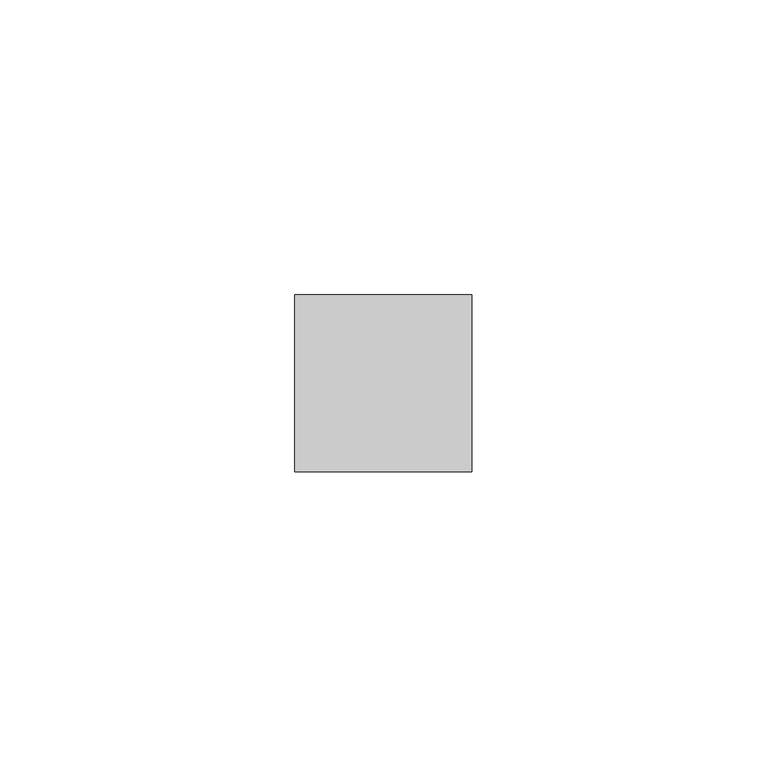
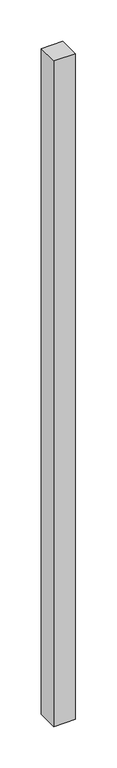
"""IFC4 building model written with IfcOpenShell, lengths in millimetres: member geometry."""

import ifcopenshell
import ifcopenshell.guid

model = None  # the IFC model being written
_history = None  # IfcOwnerHistory: only IFC2X3 demands one
_inside = {}  # id of a spatial element -> (the spatial element, [elements in it])
_under = {}  # id of a project, library or spatial element -> (it, [spatial elements below it])
_declared = {}  # id of a project -> (the project, [libraries it declares])
_typed = {}  # id of a type object -> (the type object, [elements of that type])
_made_of = {}  # id of a material, layer set ... -> (it, [elements and type objects made of it])


def new_model(schema):
    """Start an empty IFC model of exactly this schema.

    Asked for "IFC4X3", IfcOpenShell would pick the latest addendum, in which some entities
    have other attributes; the version numbers below select the first issue.
    IFC2X3 requires an IfcOwnerHistory on every rooted entity: one is made here for all.
    """
    global model, _history
    if schema == "IFC4X3":
        model = ifcopenshell.file(schema_version=(4, 3, 0, 0))
    else:
        model = ifcopenshell.file(schema=schema)
    _inside.clear()
    _under.clear()
    _declared.clear()
    _typed.clear()
    _made_of.clear()
    _history = None
    if model.schema == "IFC2X3":
        org = make("IfcOrganization", Name="unknown")
        user = make(
            "IfcPersonAndOrganization",
            ThePerson=make("IfcPerson", FamilyName="unknown"),
            TheOrganization=org,
        )
        app = make(
            "IfcApplication",
            ApplicationDeveloper=org,
            Version="unknown",
            ApplicationFullName="unknown",
            ApplicationIdentifier="unknown",
        )
        _history = make(
            "IfcOwnerHistory",
            OwningUser=user,
            OwningApplication=app,
            ChangeAction="ADDED",
            CreationDate=0,
        )
    return model


def make(cls, **values):
    """One entity of the class cls with the attributes given. An attribute that is None is left unset."""
    return model.create_entity(
        cls, **{name: value for name, value in values.items() if value is not None}
    )


def rooted(cls, **values):
    """An entity with a GlobalId (a new one), such as an element, a storey or a relation."""
    return make(cls, GlobalId=ifcopenshell.guid.new(), OwnerHistory=_history, **values)


def si_unit(unit_type, name, prefix=None):
    """IfcSIUnit, for example si_unit("LENGTHUNIT", "METRE", prefix="MILLI")."""
    return make("IfcSIUnit", UnitType=unit_type, Prefix=prefix, Name=name)


def assignment(units):
    """IfcUnitAssignment: the units of a project."""
    return None if units is None else make("IfcUnitAssignment", Units=units)


def point(xyz):
    """IfcCartesianPoint."""
    return None if xyz is None else make("IfcCartesianPoint", Coordinates=xyz)


def direction(xyz):
    """IfcDirection."""
    return None if xyz is None else make("IfcDirection", DirectionRatios=xyz)


def frame(location, z_axis=None, x_axis=None):
    """IfcAxis2Placement3D, a coordinate frame: its origin and axes. An axis left out is left unset."""
    return make(
        "IfcAxis2Placement3D",
        Location=point(location),
        Axis=direction(z_axis),
        RefDirection=direction(x_axis),
    )


def origin():
    """The frame at (0, 0, 0) with its axes left unset."""
    return frame((0.0, 0.0, 0.0))


def place(relative_to, where):
    """IfcLocalPlacement: puts the frame where relative to a parent placement (None: the world)."""
    return make(
        "IfcLocalPlacement", PlacementRelTo=relative_to, RelativePlacement=where
    )


def context(
    kind, dimensions, precision=None, world=None, true_north=None, identifier=None
):
    """IfcGeometricRepresentationContext, for example the 3D "Model" context."""
    return make(
        "IfcGeometricRepresentationContext",
        ContextIdentifier=identifier,
        ContextType=kind,
        CoordinateSpaceDimension=dimensions,
        Precision=precision,
        WorldCoordinateSystem=world,
        TrueNorth=true_north,
    )


def project(units=None, contexts=None):
    """IfcProject with its units and contexts."""
    return rooted(
        "IfcProject",
        Name="project",
        RepresentationContexts=contexts,
        UnitsInContext=assignment(units),
    )


def spatial(cls, under=None, at=None, **own):
    """A site, building, storey or space (cls), placed at a placement, below another one or the project."""
    s = rooted(cls, ObjectPlacement=at, **own)
    if under is not None:
        _under.setdefault(under.id(), (under, []))[1].append(s)
    return s


def polyline(points):
    """IfcPolyline through the points."""
    return make("IfcPolyline", Points=[point(p) for p in points])


def outline(outer, holes=None, kind="AREA"):
    """IfcArbitraryClosedProfileDef: a profile drawn as a closed curve; with holes, ...WithVoids."""
    if holes is None:
        return make("IfcArbitraryClosedProfileDef", ProfileType=kind, OuterCurve=outer)
    return make(
        "IfcArbitraryProfileDefWithVoids",
        ProfileType=kind,
        OuterCurve=outer,
        InnerCurves=holes,
    )


def extrude(swept, where, along, depth):
    """IfcExtrudedAreaSolid: the profile swept, set in the frame where, extruded along a direction by depth."""
    return make(
        "IfcExtrudedAreaSolid",
        SweptArea=swept,
        Position=where,
        ExtrudedDirection=direction(along),
        Depth=depth,
    )


def shape(context_of_items, identifier, shape_type, items):
    """IfcShapeRepresentation: the items that make up one representation, for example the "Body"."""
    return make(
        "IfcShapeRepresentation",
        ContextOfItems=context_of_items,
        RepresentationIdentifier=identifier,
        RepresentationType=shape_type,
        Items=items,
    )


def source(mapping_origin, context_of_items, identifier, shape_type, items):
    """IfcRepresentationMap: a shape defined once, which mapped items show again and again."""
    return make(
        "IfcRepresentationMap",
        MappingOrigin=mapping_origin,
        MappedRepresentation=shape(context_of_items, identifier, shape_type, items),
    )


def transform(
    local_origin,
    x_axis=None,
    y_axis=None,
    z_axis=None,
    scale=None,
    scale2=None,
    scale3=None,
    uniform=True,
):
    """IfcCartesianTransformationOperator3D, or its non-uniform kind. x_axis, y_axis, z_axis: its Axis1, 2, 3."""
    if uniform:
        return make(
            "IfcCartesianTransformationOperator3D",
            Axis1=direction(x_axis),
            Axis2=direction(y_axis),
            LocalOrigin=point(local_origin),
            Scale=scale,
            Axis3=direction(z_axis),
        )
    return make(
        "IfcCartesianTransformationOperator3DnonUniform",
        Axis1=direction(x_axis),
        Axis2=direction(y_axis),
        LocalOrigin=point(local_origin),
        Scale=scale,
        Axis3=direction(z_axis),
        Scale2=scale2,
        Scale3=scale3,
    )


def mapped(mapping_source, mapping_target):
    """IfcMappedItem: shows the shape of a source again, moved by a transform."""
    return make(
        "IfcMappedItem", MappingSource=mapping_source, MappingTarget=mapping_target
    )


def made_of(thing, what):
    """Note that an element or type object is made of a material, layer set ...; save() writes the relation."""
    if what is not None:
        _made_of.setdefault(what.id(), (what, []))[1].append(thing)
    return thing


def element(
    cls,
    number,
    at=None,
    inside=None,
    cuts=None,
    type_object=None,
    material=None,
    context=None,
    identifier="Body",
    shape_type=None,
    held_by="IfcProductDefinitionShape",
    body=None,
    shapes=None,
    **own,
):
    """One element of the class cls, such as IfcWall. Its Tag is "e" and its number.

    at: its placement. inside: the storey or other place that contains it. cuts: it is an
    opening in that element (IfcRelVoidsElement). A single representation is given by context,
    identifier, shape_type and body (its items); several are given by shapes. held_by: the class
    of the entity that holds the representations. save() writes the other relations.
    """
    e = rooted(cls, Tag="e%d" % number, ObjectPlacement=at, **own)
    if body is not None:
        shapes = [shape(context, identifier, shape_type, body)]
    if shapes is not None:
        e.Representation = make(held_by, Representations=shapes)
    if inside is not None:
        _inside.setdefault(inside.id(), (inside, []))[1].append(e)
    if cuts is not None:
        rooted(
            "IfcRelVoidsElement", RelatingBuildingElement=cuts, RelatedOpeningElement=e
        )
    if type_object is not None:
        _typed.setdefault(type_object.id(), (type_object, []))[1].append(e)
    return made_of(e, material)


def aggregate(whole, parts):
    """IfcRelAggregates: a whole, such as a stair, and the parts it consists of."""
    return rooted("IfcRelAggregates", RelatingObject=whole, RelatedObjects=parts)


def save(model, path):
    """Write the relations noted so far, then the file.

    IfcRelAggregates (storeys below a building ...), IfcRelContainedInSpatialStructure (elements
    in a storey), IfcRelDefinesByType, IfcRelAssociatesMaterial and IfcRelDeclares: one each for
    every whole, place, type object, material and project.
    """
    for whole, parts in _under.values():
        aggregate(whole, parts)
    for where, things in _inside.values():
        rooted(
            "IfcRelContainedInSpatialStructure",
            RelatedElements=things,
            RelatingStructure=where,
        )
    for kind, things in _typed.values():
        rooted("IfcRelDefinesByType", RelatedObjects=things, RelatingType=kind)
    for what, things in _made_of.values():
        rooted("IfcRelAssociatesMaterial", RelatedObjects=things, RelatingMaterial=what)
    for by, libraries in _declared.values():
        rooted("IfcRelDeclares", RelatingContext=by, RelatedDefinitions=libraries)
    model.write(path)


def member_11d62f4b(model_context):
    return source(origin(), model_context, "Body", "SweptSolid", [
        extrude(outline(polyline([(15.0, 15.0), (15.0, -15.0), (-15.0, -15.0), (-15.0, 15.0), (15.0, 15.0)])), frame((0.0, 0.0, -981.6666667), z_axis=(0.0, 0.0, 1.0), x_axis=(1.0, 0.0, 0.0)), (0.0, 0.0, 1.0), 981.6666667),
    ])


if __name__ == "__main__":
    model = new_model("IFC4")
    model_context = context("Model", 3, world=origin())
    ifc_project = project(units=[si_unit("LENGTHUNIT", "METRE", prefix="MILLI")], contexts=[model_context])
    site = spatial("IfcSite", under=ifc_project)
    building = spatial("IfcBuilding", under=site)
    placement = place(None, origin())
    member_shape = member_11d62f4b(model_context)
    element("IfcMember", 1, at=placement, inside=building, context=model_context, shape_type="MappedRepresentation", body=[
        mapped(member_shape, transform((0.0, 0.0, 0.0), x_axis=(1.0, 0.0, 0.0), y_axis=(0.0, 1.0, 0.0), z_axis=(0.0, 0.0, 1.0))),
    ])
    save(model, "model.ifc")
